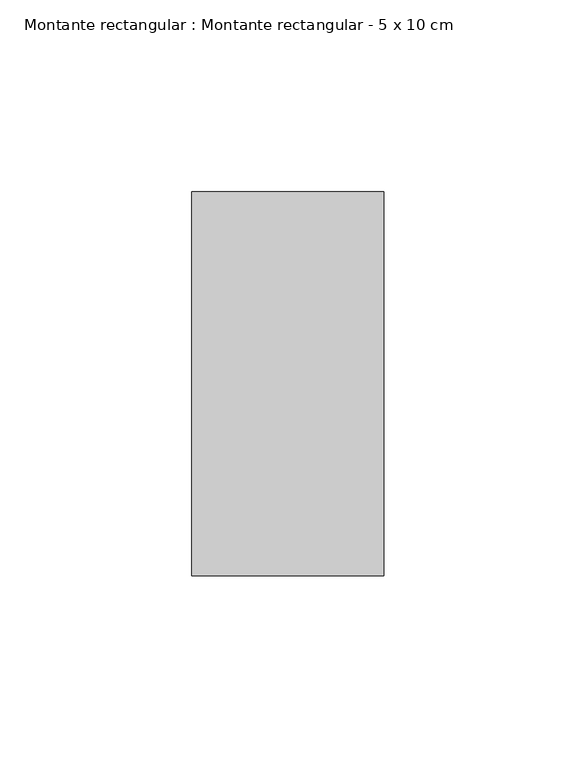
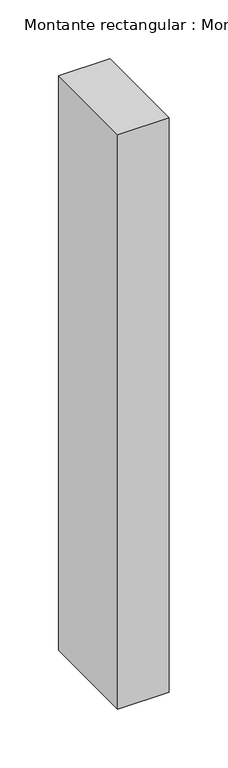
"""IFC4 building model written with IfcOpenShell, lengths in millimetres: member geometry, Montante rectangular : Montante rectangular - 5 x 10 cm."""

from ifc_helpers import new_model, si_unit, frame, origin, place, context, project, spatial, polyline, outline, extrude, source, transform, mapped, element, save


def montante_rectangular_montante_rectangular_5_x_10_cm_0654f549(model_context):
    return source(origin(), model_context, "Body", "SweptSolid", [
        extrude(outline(polyline([(-50.0, 50.0), (0.0, 50.0), (0.0, -50.0), (-50.0, -50.0), (-50.0, 50.0)])), frame((0.0, 0.0, -594.4064043), z_axis=(0.0, 0.0, 1.0), x_axis=(1.0, 0.0, 0.0)), (0.0, 0.0, 1.0), 594.4064043),
    ])


if __name__ == "__main__":
    model = new_model("IFC4")
    model_context = context("Model", 3, world=origin())
    ifc_project = project(units=[si_unit("LENGTHUNIT", "METRE", prefix="MILLI")], contexts=[model_context])
    site = spatial("IfcSite", under=ifc_project)
    building = spatial("IfcBuilding", under=site)
    placement = place(None, origin())
    montante_rectangular_montante_rectangular_5_x_10_cm_shape = montante_rectangular_montante_rectangular_5_x_10_cm_0654f549(model_context)
    element("IfcMember", 1, ObjectType="Montante rectangular : Montante rectangular - 5 x 10 cm", at=placement, inside=building, context=model_context, shape_type="MappedRepresentation", body=[
        mapped(montante_rectangular_montante_rectangular_5_x_10_cm_shape, transform((0.0, 0.0, 0.0), x_axis=(1.0, 0.0, 0.0), y_axis=(0.0, 1.0, 0.0), z_axis=(0.0, 0.0, 1.0))),
    ])
    save(model, "model.ifc")
